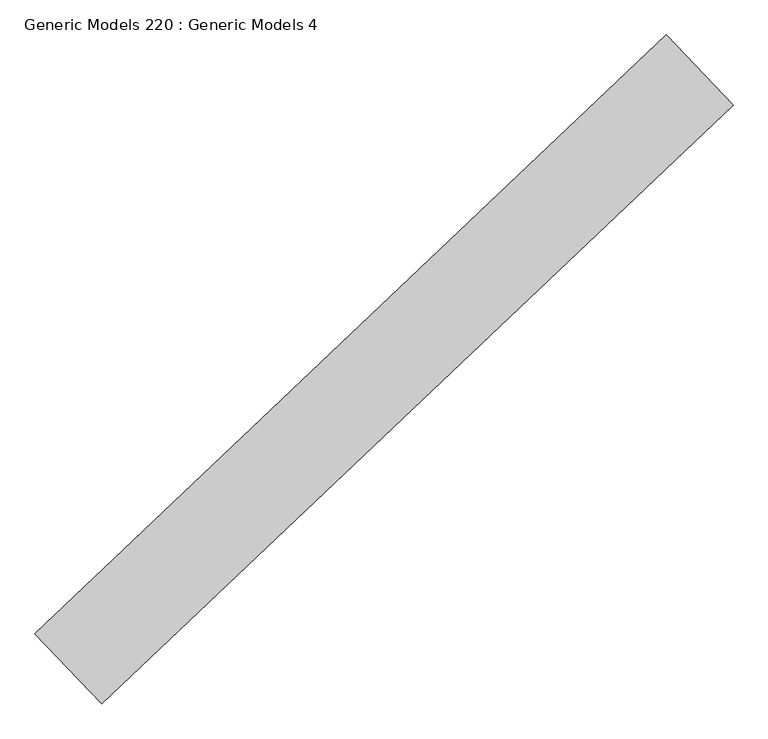
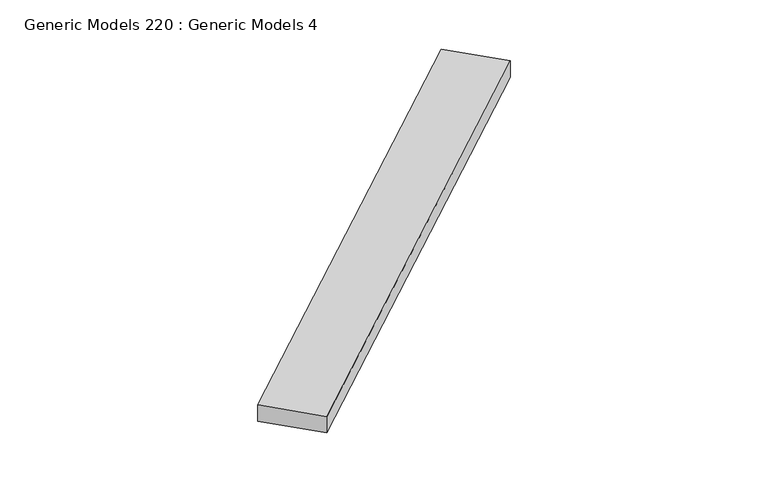
"""IFC4 building model written with IfcOpenShell, lengths in millimetres: proxy geometry, Generic Models 220 : Generic Models 4."""

from ifc_helpers import new_model, si_unit, frame, origin, place, context, project, spatial, polyline, outline, extrude, source, transform, mapped, element, save


def generic_models_220_generic_models_4_b3372460(model_context):
    return source(origin(), model_context, "Body", "SweptSolid", [
        extrude(outline(polyline([(101895.9236213, 42653.3562032), (101799.7604871, 42754.6910028), (102708.3190883, 43616.8809222), (102804.4822225, 43515.5461226), (101895.9236213, 42653.3562032)])), frame((0.0, 0.0, 17191.1883104), z_axis=(0.0, 0.0, 1.0), x_axis=(1.0, 0.0, 0.0)), (0.0, 0.0, 1.0), 38.1),
    ])


if __name__ == "__main__":
    model = new_model("IFC4")
    model_context = context("Model", 3, world=origin())
    ifc_project = project(units=[si_unit("LENGTHUNIT", "METRE", prefix="MILLI")], contexts=[model_context])
    site = spatial("IfcSite", under=ifc_project)
    building = spatial("IfcBuilding", under=site)
    placement = place(None, origin())
    generic_models_220_generic_models_4_shape = generic_models_220_generic_models_4_b3372460(model_context)
    element("IfcBuildingElementProxy", 1, Name="Generic Models 220 : Generic Models 4", ObjectType="Generic Models 220 : Generic Models 4", at=placement, inside=building, context=model_context, shape_type="MappedRepresentation", body=[
        mapped(generic_models_220_generic_models_4_shape, transform((0.0, 0.0, 0.0), x_axis=(1.0, 0.0, 0.0), y_axis=(0.0, 1.0, 0.0), z_axis=(0.0, 0.0, 1.0))),
    ])
    save(model, "model.ifc")
